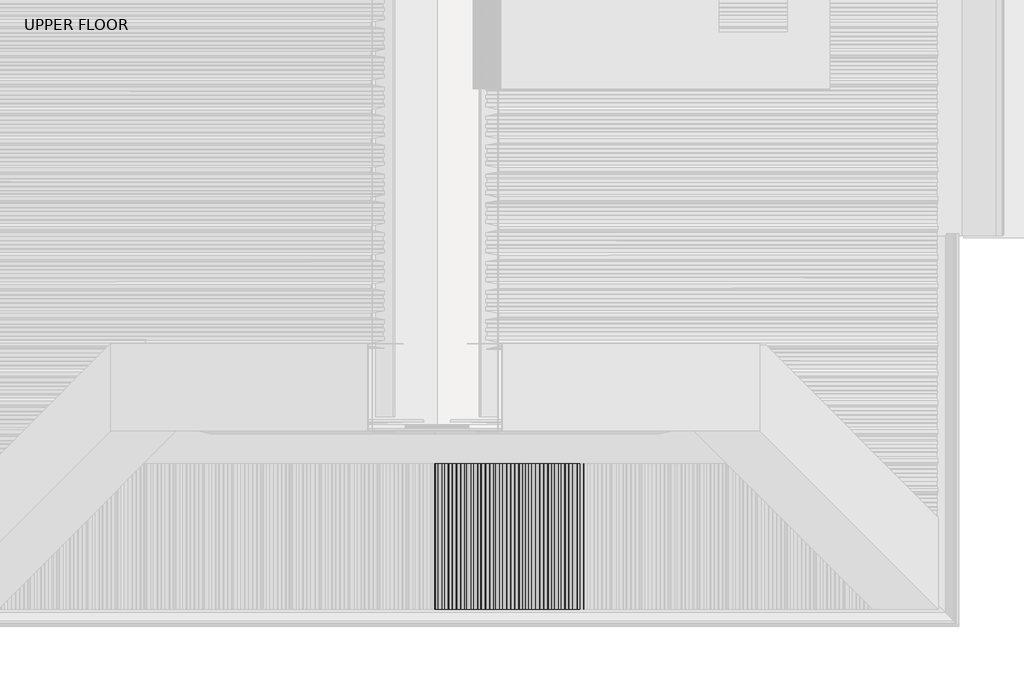
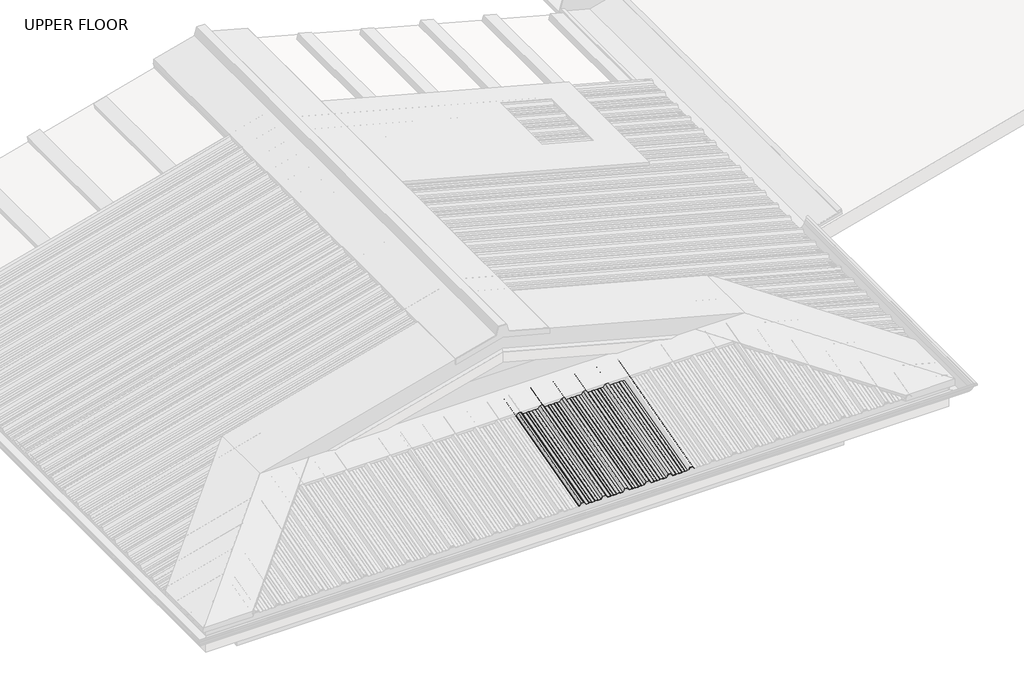
# One storey, part 7 of 18: 1 beam.
"""IFC4 building model written with IfcOpenShell, lengths in millimetres."""

import ifcopenshell
import ifcopenshell.guid

model = None  # the IFC model being written
_history = None  # IfcOwnerHistory: only IFC2X3 demands one
_inside = {}  # id of a spatial element -> (the spatial element, [elements in it])
_under = {}  # id of a project, library or spatial element -> (it, [spatial elements below it])
_declared = {}  # id of a project -> (the project, [libraries it declares])
_typed = {}  # id of a type object -> (the type object, [elements of that type])
_made_of = {}  # id of a material, layer set ... -> (it, [elements and type objects made of it])


def new_model(schema):
    """Start an empty IFC model of exactly this schema.

    Asked for "IFC4X3", IfcOpenShell would pick the latest addendum, in which some entities
    have other attributes; the version numbers below select the first issue.
    IFC2X3 requires an IfcOwnerHistory on every rooted entity: one is made here for all.
    """
    global model, _history
    if schema == "IFC4X3":
        model = ifcopenshell.file(schema_version=(4, 3, 0, 0))
    else:
        model = ifcopenshell.file(schema=schema)
    _inside.clear()
    _under.clear()
    _declared.clear()
    _typed.clear()
    _made_of.clear()
    _history = None
    if model.schema == "IFC2X3":
        org = make("IfcOrganization", Name="unknown")
        user = make(
            "IfcPersonAndOrganization",
            ThePerson=make("IfcPerson", FamilyName="unknown"),
            TheOrganization=org,
        )
        app = make(
            "IfcApplication",
            ApplicationDeveloper=org,
            Version="unknown",
            ApplicationFullName="unknown",
            ApplicationIdentifier="unknown",
        )
        _history = make(
            "IfcOwnerHistory",
            OwningUser=user,
            OwningApplication=app,
            ChangeAction="ADDED",
            CreationDate=0,
        )
    return model


def make(cls, **values):
    """One entity of the class cls with the attributes given. An attribute that is None is left unset."""
    return model.create_entity(
        cls, **{name: value for name, value in values.items() if value is not None}
    )


def rooted(cls, **values):
    """An entity with a GlobalId (a new one), such as an element, a storey or a relation."""
    return make(cls, GlobalId=ifcopenshell.guid.new(), OwnerHistory=_history, **values)


def si_unit(unit_type, name, prefix=None):
    """IfcSIUnit, for example si_unit("LENGTHUNIT", "METRE", prefix="MILLI")."""
    return make("IfcSIUnit", UnitType=unit_type, Prefix=prefix, Name=name)


def assignment(units):
    """IfcUnitAssignment: the units of a project."""
    return None if units is None else make("IfcUnitAssignment", Units=units)


def point(xyz):
    """IfcCartesianPoint."""
    return None if xyz is None else make("IfcCartesianPoint", Coordinates=xyz)


def direction(xyz):
    """IfcDirection."""
    return None if xyz is None else make("IfcDirection", DirectionRatios=xyz)


def frame(location, z_axis=None, x_axis=None):
    """IfcAxis2Placement3D, a coordinate frame: its origin and axes. An axis left out is left unset."""
    return make(
        "IfcAxis2Placement3D",
        Location=point(location),
        Axis=direction(z_axis),
        RefDirection=direction(x_axis),
    )


def origin():
    """The frame at (0, 0, 0) with its axes left unset."""
    return frame((0.0, 0.0, 0.0))


def place(relative_to, where):
    """IfcLocalPlacement: puts the frame where relative to a parent placement (None: the world)."""
    return make(
        "IfcLocalPlacement", PlacementRelTo=relative_to, RelativePlacement=where
    )


def context(
    kind, dimensions, precision=None, world=None, true_north=None, identifier=None
):
    """IfcGeometricRepresentationContext, for example the 3D "Model" context."""
    return make(
        "IfcGeometricRepresentationContext",
        ContextIdentifier=identifier,
        ContextType=kind,
        CoordinateSpaceDimension=dimensions,
        Precision=precision,
        WorldCoordinateSystem=world,
        TrueNorth=true_north,
    )


def project(units=None, contexts=None):
    """IfcProject with its units and contexts."""
    return rooted(
        "IfcProject",
        Name="project",
        RepresentationContexts=contexts,
        UnitsInContext=assignment(units),
    )


def spatial(cls, under=None, at=None, **own):
    """A site, building, storey or space (cls), placed at a placement, below another one or the project."""
    s = rooted(cls, ObjectPlacement=at, **own)
    if under is not None:
        _under.setdefault(under.id(), (under, []))[1].append(s)
    return s


def circle_curve(where, radius):
    """IfcCircle in the frame where."""
    return make("IfcCircle", Position=where, Radius=radius)


def ellipse_curve(where, semi_axis1, semi_axis2):
    """IfcEllipse in the frame where."""
    return make(
        "IfcEllipse", Position=where, SemiAxis1=semi_axis1, SemiAxis2=semi_axis2
    )


def shape(context_of_items, identifier, shape_type, items):
    """IfcShapeRepresentation: the items that make up one representation, for example the "Body"."""
    return make(
        "IfcShapeRepresentation",
        ContextOfItems=context_of_items,
        RepresentationIdentifier=identifier,
        RepresentationType=shape_type,
        Items=items,
    )


def made_of(thing, what):
    """Note that an element or type object is made of a material, layer set ...; save() writes the relation."""
    if what is not None:
        _made_of.setdefault(what.id(), (what, []))[1].append(thing)
    return thing


def element(
    cls,
    number,
    at=None,
    inside=None,
    cuts=None,
    type_object=None,
    material=None,
    context=None,
    identifier="Body",
    shape_type=None,
    held_by="IfcProductDefinitionShape",
    body=None,
    shapes=None,
    **own,
):
    """One element of the class cls, such as IfcWall. Its Tag is "e" and its number.

    at: its placement. inside: the storey or other place that contains it. cuts: it is an
    opening in that element (IfcRelVoidsElement). A single representation is given by context,
    identifier, shape_type and body (its items); several are given by shapes. held_by: the class
    of the entity that holds the representations. save() writes the other relations.
    """
    e = rooted(cls, Tag="e%d" % number, ObjectPlacement=at, **own)
    if body is not None:
        shapes = [shape(context, identifier, shape_type, body)]
    if shapes is not None:
        e.Representation = make(held_by, Representations=shapes)
    if inside is not None:
        _inside.setdefault(inside.id(), (inside, []))[1].append(e)
    if cuts is not None:
        rooted(
            "IfcRelVoidsElement", RelatingBuildingElement=cuts, RelatedOpeningElement=e
        )
    if type_object is not None:
        _typed.setdefault(type_object.id(), (type_object, []))[1].append(e)
    return made_of(e, material)


def aggregate(whole, parts):
    """IfcRelAggregates: a whole, such as a stair, and the parts it consists of."""
    return rooted("IfcRelAggregates", RelatingObject=whole, RelatedObjects=parts)


def save(model, path):
    """Write the relations noted so far, then the file.

    IfcRelAggregates (storeys below a building ...), IfcRelContainedInSpatialStructure (elements
    in a storey), IfcRelDefinesByType, IfcRelAssociatesMaterial and IfcRelDeclares: one each for
    every whole, place, type object, material and project.
    """
    for whole, parts in _under.values():
        aggregate(whole, parts)
    for where, things in _inside.values():
        rooted(
            "IfcRelContainedInSpatialStructure",
            RelatedElements=things,
            RelatingStructure=where,
        )
    for kind, things in _typed.values():
        rooted("IfcRelDefinesByType", RelatedObjects=things, RelatingType=kind)
    for what, things in _made_of.values():
        rooted("IfcRelAssociatesMaterial", RelatedObjects=things, RelatingMaterial=what)
    for by, libraries in _declared.values():
        rooted("IfcRelDeclares", RelatingContext=by, RelatedDefinitions=libraries)
    model.write(path)


def plane_surface(at):
    """IfcPlane: the flat surface through the origin of the frame at, square to its z axis."""
    return make("IfcPlane", Position=at)


def cylinder_surface(at, radius):
    """IfcCylindricalSurface: all points at the distance radius from the z axis of the frame at."""
    return make("IfcCylindricalSurface", Position=at, Radius=radius)


def advanced_brep(points, edges, surfaces, faces):
    """IfcAdvancedBrep: a solid bounded by faces that lie on surfaces and meet in shared edges.

    An edge is (start, end): straight between two places in points (the first is 0);
    or (start, end, curve); or (start, end, curve, False) where it runs against its curve.
    A face is (place in surfaces, loops), or (place, loops, False) where it looks against
    its surface's normal. A loop lists edges by number (the first is 1), with a minus sign
    where the edge is run from its end to its start. The first loop is the outer one.
    """
    corners = [point(p) for p in points]
    vertices = [make("IfcVertexPoint", VertexGeometry=c) for c in corners]
    made = []
    for start, end, *more in edges:
        made.append(
            make(
                "IfcEdgeCurve",
                EdgeStart=vertices[start],
                EdgeEnd=vertices[end],
                EdgeGeometry=more[0] if more else make("IfcPolyline", Points=[corners[start], corners[end]]),
                SameSense=more[1] if len(more) > 1 else True,
            )
        )
    hull = []
    for where, loops, *sense in faces:
        bounds = []
        for j, loop in enumerate(loops):
            ring = [make("IfcOrientedEdge", EdgeElement=made[abs(k) - 1], Orientation=k > 0) for k in loop]
            bounds.append(
                make(
                    "IfcFaceOuterBound" if j == 0 else "IfcFaceBound",
                    Bound=make("IfcEdgeLoop", EdgeList=ring),
                    Orientation=True,
                )
            )
        hull.append(make("IfcAdvancedFace", Bounds=bounds, FaceSurface=surfaces[where], SameSense=sense[0] if sense else True))
    return make("IfcAdvancedBrep", Outer=make("IfcClosedShell", CfsFaces=hull))


model = new_model("IFC4")

# Units and contexts
model_context = context("Model", 3, world=origin())
ifc_project = project(units=[si_unit("LENGTHUNIT", "METRE", prefix="MILLI")], contexts=[model_context])

# Site, building, storey
site = spatial("IfcSite", under=ifc_project)
building = spatial("IfcBuilding", under=site)
storey = spatial("IfcBuildingStorey", under=building, Name="UPPER FLOOR", Elevation=2700.0)

# Beam
placement = place(None, origin())
element("IfcBeam", 1, at=placement, inside=storey, context=model_context, shape_type="AdvancedBrep", body=[
    advanced_brep(
    [(2614.3188541, -3764.7308776, 3532.1969247), (2600.8194638, -3760.0721348, 3514.8102598), (2582.6633813, -3760.0721348, 3514.8102598), (2578.5367793, -3760.5897729, 3516.7421115), (2560.9299442, -3760.5897729, 3516.7421115), (2557.6657802, -3760.0721348, 3514.8102598), (2538.8928065, -3760.0721348, 3514.8102598), (2535.851348, -3760.5897729, 3516.7421115), (2520.1855441, -3760.5897729, 3516.7421115), (2517.1419022, -3760.0721348, 3514.8102598), (2496.8194638, -3760.0721348, 3514.8102598), (2483.3200734, -3764.7308776, 3532.1969247), (2464.3188541, -3764.7308776, 3532.1969247), (2450.8194638, -3760.0721348, 3514.8102598), (2432.6633813, -3760.0721348, 3514.8102598), (2428.5367793, -3760.5897729, 3516.7421115), (2410.9299442, -3760.5897729, 3516.7421115), (2407.6657802, -3760.0721348, 3514.8102598), (2388.8928065, -3760.0721348, 3514.8102598), (2385.851348, -3760.5897729, 3516.7421115), (2370.1855441, -3760.5897729, 3516.7421115), (2367.1419022, -3760.0721348, 3514.8102598), (2346.8194638, -3760.0721348, 3514.8102598), (2333.3200734, -3764.7308776, 3532.1969247), (2314.3188541, -3764.7308776, 3532.1969247), (2300.8194638, -3760.0721348, 3514.8102598), (2282.6633813, -3760.0721348, 3514.8102598), (2278.5367793, -3760.5897729, 3516.7421115), (2260.9299442, -3760.5897729, 3516.7421115), (2257.6657802, -3760.0721348, 3514.8102598), (2238.8928065, -3760.0721348, 3514.8102598), (2235.851348, -3760.5897729, 3516.7421115), (2220.1855441, -3760.5897729, 3516.7421115), (2217.1419022, -3760.0721348, 3514.8102598), (2196.8194638, -3760.0721348, 3514.8102598), (2183.3200734, -3764.7308776, 3532.1969247), (2164.3188541, -3764.7308776, 3532.1969247), (2150.8194638, -3760.0721348, 3514.8102598), (2132.6633813, -3760.0721348, 3514.8102598), (2128.5367793, -3760.5897729, 3516.7421115), (2110.9299442, -3760.5897729, 3516.7421115), (2107.6657802, -3760.0721348, 3514.8102598), (2088.8928065, -3760.0721348, 3514.8102598), (2085.851348, -3760.5897729, 3516.7421115), (2070.1855441, -3760.5897729, 3516.7421115), (2067.1419022, -3760.0721348, 3514.8102598), (2046.8194638, -3760.0721348, 3514.8102598), (2033.3200734, -3764.7308776, 3532.1969247), (2014.3188541, -3764.7308776, 3532.1969247), (2002.319396, -3760.5897729, 3516.7421115), (1998.6460788, -3760.5897729, 3516.7421115), (1998.6460788, -3760.8485919, 3517.7080373), (2001.8200056, -3760.8485919, 3517.7080373), (2013.8194638, -3764.9896966, 3533.1628505), (2033.8194638, -3764.9896966, 3533.1628505), (2047.3188541, -3760.3309538, 3515.7761857), (2066.8427512, -3760.3309538, 3515.7761857), (2069.8863931, -3760.8485919, 3517.7080373), (2086.1506785, -3760.8485919, 3517.7080373), (2089.192137, -3760.3309538, 3515.7761857), (2107.3837849, -3760.3309538, 3515.7761857), (2110.6479489, -3760.8485919, 3517.7080373), (2128.7663392, -3760.8485919, 3517.7080373), (2132.8929412, -3760.3309538, 3515.7761857), (2150.3200734, -3760.3309538, 3515.7761857), (2163.8194638, -3764.9896966, 3533.1628505), (2183.8194638, -3764.9896966, 3533.1628505), (2197.3188541, -3760.3309538, 3515.7761857), (2216.8427512, -3760.3309538, 3515.7761857), (2219.8863931, -3760.8485919, 3517.7080373), (2236.1506785, -3760.8485919, 3517.7080373), (2239.192137, -3760.3309538, 3515.7761857), (2257.3837849, -3760.3309538, 3515.7761857), (2260.6479489, -3760.8485919, 3517.7080373), (2278.7663392, -3760.8485919, 3517.7080373), (2282.8929412, -3760.3309538, 3515.7761857), (2300.3200734, -3760.3309538, 3515.7761857), (2313.8194638, -3764.9896966, 3533.1628505), (2333.8194638, -3764.9896966, 3533.1628505), (2347.3188541, -3760.3309538, 3515.7761857), (2366.8427512, -3760.3309538, 3515.7761857), (2369.8863931, -3760.8485919, 3517.7080373), (2386.1506785, -3760.8485919, 3517.7080373), (2389.192137, -3760.3309538, 3515.7761857), (2407.3837849, -3760.3309538, 3515.7761857), (2410.6479489, -3760.8485919, 3517.7080373), (2428.7663392, -3760.8485919, 3517.7080373), (2432.8929412, -3760.3309538, 3515.7761857), (2450.3200734, -3760.3309538, 3515.7761857), (2463.8194638, -3764.9896966, 3533.1628505), (2483.8194638, -3764.9896966, 3533.1628505), (2497.3188541, -3760.3309538, 3515.7761857), (2516.8427512, -3760.3309538, 3515.7761857), (2519.8863931, -3760.8485919, 3517.7080373), (2536.1506785, -3760.8485919, 3517.7080373), (2539.192137, -3760.3309538, 3515.7761857), (2557.3837849, -3760.3309538, 3515.7761857), (2560.6479489, -3760.8485919, 3517.7080373), (2578.7663392, -3760.8485919, 3517.7080373), (2582.8929412, -3760.3309538, 3515.7761857), (2600.3200734, -3760.3309538, 3515.7761857), (2613.8194638, -3764.9896966, 3533.1628505), (2633.8194638, -3764.9896966, 3533.1628505), (2647.3188541, -3760.3309538, 3515.7761857), (2666.8427512, -3760.3309538, 3515.7761857), (2669.8863931, -3760.8485919, 3517.7080373), (2686.1506785, -3760.8485919, 3517.7080373), (2689.192137, -3760.3309538, 3515.7761857), (2707.3837849, -3760.3309538, 3515.7761857), (2710.6479489, -3760.8485919, 3517.7080373), (2728.7663392, -3760.8485919, 3517.7080373), (2732.8929412, -3760.3309538, 3515.7761857), (2752.8200327, -3760.3309538, 3515.7761857), (2764.8194908, -3764.4720586, 3531.2309989), (2782.8194367, -3764.4720586, 3531.2309989), (2794.476707, -3760.4490454, 3516.2169095), (2793.6770929, -3760.2938359, 3515.6376597), (2782.3200463, -3764.2132395, 3530.265073), (2765.3188812, -3764.2132395, 3530.265073), (2753.3194231, -3760.0721348, 3514.8102598), (2732.6633813, -3760.0721348, 3514.8102598), (2728.5367793, -3760.5897729, 3516.7421115), (2710.9299442, -3760.5897729, 3516.7421115), (2707.6657802, -3760.0721348, 3514.8102598), (2688.8928065, -3760.0721348, 3514.8102598), (2685.851348, -3760.5897729, 3516.7421115), (2670.1855441, -3760.5897729, 3516.7421115), (2667.1419022, -3760.0721348, 3514.8102598), (2646.8194638, -3760.0721348, 3514.8102598), (2633.3200734, -3764.7308776, 3532.1969247), (2600.8194638, -4660.4975954, 3273.5419848), (2582.6633813, -4660.4975954, 3273.5419848), (2578.5367793, -4660.4975954, 3275.6125372), (2560.9299442, -4660.4975954, 3275.6125372), (2557.6657802, -4660.4975954, 3273.5419848), (2538.8928065, -4660.4975954, 3273.5419848), (2535.851348, -4660.4975954, 3275.6125372), (2520.1855441, -4660.4975954, 3275.6125372), (2517.1419022, -4660.4975954, 3273.5419848), (2496.8194638, -4660.4975954, 3273.5419848), (2483.3200734, -4660.4975954, 3292.176956), (2464.3188541, -4660.4975954, 3292.176956), (2450.8194638, -4660.4975954, 3273.5419848), (2432.6633813, -4660.4975954, 3273.5419848), (2428.5367793, -4660.4975954, 3275.6125372), (2410.9299442, -4660.4975954, 3275.6125372), (2407.6657802, -4660.4975954, 3273.5419848), (2388.8928065, -4660.4975954, 3273.5419848), (2385.851348, -4660.4975954, 3275.6125372), (2370.1855441, -4660.4975954, 3275.6125372), (2367.1419022, -4660.4975954, 3273.5419848), (2346.8194638, -4660.4975954, 3273.5419848), (2333.3200734, -4660.4975954, 3292.176956), (2314.3188541, -4660.4975954, 3292.176956), (2300.8194638, -4660.4975954, 3273.5419848), (2282.6633813, -4660.4975954, 3273.5419848), (2278.5367793, -4660.4975954, 3275.6125372), (2260.9299442, -4660.4975954, 3275.6125372), (2257.6657802, -4660.4975954, 3273.5419848), (2238.8928065, -4660.4975954, 3273.5419848), (2235.851348, -4660.4975954, 3275.6125372), (2220.1855441, -4660.4975954, 3275.6125372), (2217.1419022, -4660.4975954, 3273.5419848), (2196.8194638, -4660.4975954, 3273.5419848), (2183.3200734, -4660.4975954, 3292.176956), (2164.3188541, -4660.4975954, 3292.176956), (2150.8194638, -4660.4975954, 3273.5419848), (2132.6633813, -4660.4975954, 3273.5419848), (2128.5367793, -4660.4975954, 3275.6125372), (2110.9299442, -4660.4975954, 3275.6125372), (2107.6657802, -4660.4975954, 3273.5419848), (2088.8928065, -4660.4975954, 3273.5419848), (2085.851348, -4660.4975954, 3275.6125372), (2070.1855441, -4660.4975954, 3275.6125372), (2067.1419022, -4660.4975954, 3273.5419848), (2046.8194638, -4660.4975954, 3273.5419848), (2033.3200734, -4660.4975954, 3292.176956), (2014.3188541, -4660.4975954, 3292.176956), (2002.319396, -4660.4975954, 3275.6125372), (1998.6460788, -4660.4975954, 3275.6125372), (1998.6460788, -4660.4975954, 3276.6478133), (2001.8200056, -4660.4975954, 3276.6478133), (2013.8194638, -4660.4975954, 3293.2122322), (2033.8194638, -4660.4975954, 3293.2122322), (2047.3188541, -4660.4975954, 3274.577261), (2066.8427512, -4660.4975954, 3274.577261), (2069.8863931, -4660.4975954, 3276.6478133), (2086.1506785, -4660.4975954, 3276.6478133), (2089.192137, -4660.4975954, 3274.577261), (2107.3837849, -4660.4975954, 3274.577261), (2110.6479489, -4660.4975954, 3276.6478133), (2128.7663392, -4660.4975954, 3276.6478133), (2132.8929412, -4660.4975954, 3274.577261), (2150.3200734, -4660.4975954, 3274.577261), (2163.8194638, -4660.4975954, 3293.2122322), (2183.8194638, -4660.4975954, 3293.2122322), (2197.3188541, -4660.4975954, 3274.577261), (2216.8427512, -4660.4975954, 3274.577261), (2219.8863931, -4660.4975954, 3276.6478133), (2236.1506785, -4660.4975954, 3276.6478133), (2239.192137, -4660.4975954, 3274.577261), (2257.3837849, -4660.4975954, 3274.577261), (2260.6479489, -4660.4975954, 3276.6478133), (2278.7663392, -4660.4975954, 3276.6478133), (2282.8929412, -4660.4975954, 3274.577261), (2300.3200734, -4660.4975954, 3274.577261), (2313.8194638, -4660.4975954, 3293.2122322), (2333.8194638, -4660.4975954, 3293.2122322), (2347.3188541, -4660.4975954, 3274.577261), (2366.8427512, -4660.4975954, 3274.577261), (2369.8863931, -4660.4975954, 3276.6478133), (2386.1506785, -4660.4975954, 3276.6478133), (2389.192137, -4660.4975954, 3274.577261), (2407.3837849, -4660.4975954, 3274.577261), (2410.6479489, -4660.4975954, 3276.6478133), (2428.7663392, -4660.4975954, 3276.6478133), (2432.8929412, -4660.4975954, 3274.577261), (2450.3200734, -4660.4975954, 3274.577261), (2463.8194638, -4660.4975954, 3293.2122322), (2483.8194638, -4660.4975954, 3293.2122322), (2497.3188541, -4660.4975954, 3274.577261), (2516.8427512, -4660.4975954, 3274.577261), (2519.8863931, -4660.4975954, 3276.6478133), (2536.1506785, -4660.4975954, 3276.6478133), (2539.192137, -4660.4975954, 3274.577261), (2557.3837849, -4660.4975954, 3274.577261), (2560.6479489, -4660.4975954, 3276.6478133), (2578.7663392, -4660.4975954, 3276.6478133), (2582.8929412, -4660.4975954, 3274.577261), (2600.3200734, -4660.4975954, 3274.577261), (2613.8194638, -4660.4975954, 3293.2122322), (2633.8194638, -4660.4975954, 3293.2122322), (2647.3188541, -4660.4975954, 3274.577261), (2666.8427512, -4660.4975954, 3274.577261), (2669.8863931, -4660.4975954, 3276.6478133), (2686.1506785, -4660.4975954, 3276.6478133), (2689.192137, -4660.4975954, 3274.577261), (2707.3837849, -4660.4975954, 3274.577261), (2710.6479489, -4660.4975954, 3276.6478133), (2728.7663392, -4660.4975954, 3276.6478133), (2732.8929412, -4660.4975954, 3274.577261), (2752.8200327, -4660.4975954, 3274.577261), (2764.8194908, -4660.4975954, 3291.1416799), (2782.8194367, -4660.4975954, 3291.1416799), (2614.3188541, -4660.4975954, 3292.176956), (2794.476707, -4660.4975954, 3275.0496274), (2793.6770929, -4660.4975954, 3274.4287893), (2782.3200463, -4660.4975954, 3290.1064037), (2765.3188812, -4660.4975954, 3290.1064037), (2753.3194231, -4660.4975954, 3273.5419848), (2732.6633813, -4660.4975954, 3273.5419848), (2728.5367793, -4660.4975954, 3275.6125372), (2710.9299442, -4660.4975954, 3275.6125372), (2707.6657802, -4660.4975954, 3273.5419848), (2688.8928065, -4660.4975954, 3273.5419848), (2685.851348, -4660.4975954, 3275.6125372), (2670.1855441, -4660.4975954, 3275.6125372), (2667.1419022, -4660.4975954, 3273.5419848), (2646.8194638, -4660.4975954, 3273.5419848), (2633.3200734, -4660.4975954, 3292.176956)],
    [
        (0, 1),
        (1, 2),
        (2, 3),
        (3, 4),
        (4, 5),
        (5, 6),
        (6, 7),
        (7, 8),
        (8, 9),
        (9, 10),
        (10, 11),
        (11, 12),
        (12, 13),
        (13, 14),
        (14, 15),
        (15, 16),
        (16, 17),
        (17, 18),
        (18, 19),
        (19, 20),
        (20, 21),
        (21, 22),
        (22, 23),
        (23, 24),
        (24, 25),
        (25, 26),
        (26, 27),
        (27, 28),
        (28, 29),
        (29, 30),
        (30, 31),
        (31, 32),
        (32, 33),
        (33, 34),
        (34, 35),
        (35, 36),
        (36, 37),
        (37, 38),
        (38, 39),
        (39, 40),
        (40, 41),
        (41, 42),
        (42, 43),
        (43, 44),
        (44, 45),
        (45, 46),
        (46, 47),
        (47, 48),
        (48, 49),
        (49, 50),
        (50, 51, circle_curve(frame((1998.6460788, -3760.7191824, 3517.2250744), z_axis=(0.0, 0.9659258262890683, 0.2588190451025206), x_axis=(-1.0, 0.0, 0.0)), 0.5)),
        (51, 52),
        (52, 53),
        (53, 54),
        (54, 55),
        (55, 56),
        (56, 57),
        (57, 58),
        (58, 59),
        (59, 60),
        (60, 61),
        (61, 62),
        (62, 63),
        (63, 64),
        (64, 65),
        (65, 66),
        (66, 67),
        (67, 68),
        (68, 69),
        (69, 70),
        (70, 71),
        (71, 72),
        (72, 73),
        (73, 74),
        (74, 75),
        (75, 76),
        (76, 77),
        (77, 78),
        (78, 79),
        (79, 80),
        (80, 81),
        (81, 82),
        (82, 83),
        (83, 84),
        (84, 85),
        (85, 86),
        (86, 87),
        (87, 88),
        (88, 89),
        (89, 90),
        (90, 91),
        (91, 92),
        (92, 93),
        (93, 94),
        (94, 95),
        (95, 96),
        (96, 97),
        (97, 98),
        (98, 99),
        (99, 100),
        (100, 101),
        (101, 102),
        (102, 103),
        (103, 104),
        (104, 105),
        (105, 106),
        (106, 107),
        (107, 108),
        (108, 109),
        (109, 110),
        (110, 111),
        (111, 112),
        (112, 113),
        (113, 114),
        (114, 115),
        (115, 116, circle_curve(frame((2794.0769, -3760.3714407, 3515.9272846), z_axis=(0.0, 0.9659258262890683, 0.2588190451025206), x_axis=(-1.0, 0.0, 0.0)), 0.4997507)),
        (116, 117),
        (117, 118),
        (118, 119),
        (119, 120),
        (120, 121),
        (121, 122),
        (122, 123),
        (123, 124),
        (124, 125),
        (125, 126),
        (126, 127),
        (127, 128),
        (128, 129),
        (129, 0),
        (1, 130),
        (130, 131),
        (131, 2),
        (131, 132),
        (132, 3),
        (132, 133),
        (133, 4),
        (133, 134),
        (134, 5),
        (134, 135),
        (135, 6),
        (135, 136),
        (136, 7),
        (136, 137),
        (137, 8),
        (137, 138),
        (138, 9),
        (138, 139),
        (139, 10),
        (139, 140),
        (140, 11),
        (140, 141),
        (141, 12),
        (141, 142),
        (142, 13),
        (142, 143),
        (143, 14),
        (143, 144),
        (144, 15),
        (144, 145),
        (145, 16),
        (145, 146),
        (146, 17),
        (146, 147),
        (147, 18),
        (147, 148),
        (148, 19),
        (148, 149),
        (149, 20),
        (149, 150),
        (150, 21),
        (150, 151),
        (151, 22),
        (151, 152),
        (152, 23),
        (152, 153),
        (153, 24),
        (153, 154),
        (154, 25),
        (154, 155),
        (155, 26),
        (155, 156),
        (156, 27),
        (156, 157),
        (157, 28),
        (157, 158),
        (158, 29),
        (158, 159),
        (159, 30),
        (159, 160),
        (160, 31),
        (160, 161),
        (161, 32),
        (161, 162),
        (162, 33),
        (162, 163),
        (163, 34),
        (163, 164),
        (164, 35),
        (164, 165),
        (165, 36),
        (165, 166),
        (166, 37),
        (166, 167),
        (167, 38),
        (167, 168),
        (168, 39),
        (168, 169),
        (169, 40),
        (169, 170),
        (170, 41),
        (170, 171),
        (171, 42),
        (171, 172),
        (172, 43),
        (172, 173),
        (173, 44),
        (173, 174),
        (174, 45),
        (174, 175),
        (175, 46),
        (175, 176),
        (176, 47),
        (176, 177),
        (177, 48),
        (177, 178),
        (178, 49),
        (178, 179),
        (179, 50),
        (179, 180, ellipse_curve(frame((1998.6460788, -4660.4975954, 3276.1301752), z_axis=(0.0, 1.0, 0.0), x_axis=(0.0, 0.0, 1.0)), 0.5176381, 0.5)),
        (180, 51),
        (180, 181),
        (181, 52),
        (181, 182),
        (182, 53),
        (182, 183),
        (183, 54),
        (183, 184),
        (184, 55),
        (184, 185),
        (185, 56),
        (185, 186),
        (186, 57),
        (186, 187),
        (187, 58),
        (187, 188),
        (188, 59),
        (188, 189),
        (189, 60),
        (189, 190),
        (190, 61),
        (190, 191),
        (191, 62),
        (191, 192),
        (192, 63),
        (192, 193),
        (193, 64),
        (193, 194),
        (194, 65),
        (194, 195),
        (195, 66),
        (195, 196),
        (196, 67),
        (196, 197),
        (197, 68),
        (197, 198),
        (198, 69),
        (198, 199),
        (199, 70),
        (199, 200),
        (200, 71),
        (200, 201),
        (201, 72),
        (201, 202),
        (202, 73),
        (202, 203),
        (203, 74),
        (203, 204),
        (204, 75),
        (204, 205),
        (205, 76),
        (205, 206),
        (206, 77),
        (206, 207),
        (207, 78),
        (207, 208),
        (208, 79),
        (208, 209),
        (209, 80),
        (209, 210),
        (210, 81),
        (210, 211),
        (211, 82),
        (211, 212),
        (212, 83),
        (212, 213),
        (213, 84),
        (213, 214),
        (214, 85),
        (214, 215),
        (215, 86),
        (215, 216),
        (216, 87),
        (216, 217),
        (217, 88),
        (217, 218),
        (218, 89),
        (218, 219),
        (219, 90),
        (219, 220),
        (220, 91),
        (220, 221),
        (221, 92),
        (221, 222),
        (222, 93),
        (222, 223),
        (223, 94),
        (223, 224),
        (224, 95),
        (224, 225),
        (225, 96),
        (225, 226),
        (226, 97),
        (226, 227),
        (227, 98),
        (227, 228),
        (228, 99),
        (228, 229),
        (229, 100),
        (229, 230),
        (230, 101),
        (230, 231),
        (231, 102),
        (231, 232),
        (232, 103),
        (232, 233),
        (233, 104),
        (233, 234),
        (234, 105),
        (234, 235),
        (235, 106),
        (235, 236),
        (236, 107),
        (236, 237),
        (237, 108),
        (237, 238),
        (238, 109),
        (238, 239),
        (239, 110),
        (239, 240),
        (240, 111),
        (240, 241),
        (241, 112),
        (241, 242),
        (242, 113),
        (242, 243),
        (243, 114),
        (0, 244),
        (244, 130),
        (243, 245),
        (245, 115),
        (245, 246, ellipse_curve(frame((2794.0769, -4660.4975954, 3274.7392084), z_axis=(0.0, 1.0, 0.0), x_axis=(0.0, 0.0, 1.0)), 0.51738, 0.4997507)),
        (246, 116),
        (246, 247),
        (247, 117),
        (247, 248),
        (248, 118),
        (248, 249),
        (249, 119),
        (249, 250),
        (250, 120),
        (250, 251),
        (251, 121),
        (251, 252),
        (252, 122),
        (252, 253),
        (253, 123),
        (253, 254),
        (254, 124),
        (254, 255),
        (255, 125),
        (255, 256),
        (256, 126),
        (256, 257),
        (257, 127),
        (257, 258),
        (258, 128),
        (258, 259),
        (259, 129),
        (259, 244),
    ],
    [
        plane_surface(frame((2614.3188541, -3764.7308776, 3532.1969247), z_axis=(0.0, 0.9659258262890684, 0.25881904510252063), x_axis=(-0.5999826594493576, 0.20705860205458643, -0.7727532230118984))),
        plane_surface(frame((2600.8194638, -3760.0721348, 3514.8102598), z_axis=(0.0, 0.2588190451025206, -0.9659258262890683), x_axis=(0.0, -0.9659258262890683, -0.2588190451025206))),
        plane_surface(frame((2582.6633813, -3760.0721348, 3514.8102598), z_axis=(-0.436136361699787, 0.23290623468573943, -0.8692179012467379), x_axis=(0.0, -0.9659258262890683, -0.2588190451025206))),
        plane_surface(frame((2578.5367793, -3760.5897729, 3516.7421115), z_axis=(0.0, 0.2588190451025206, -0.9659258262890683), x_axis=(0.0, -0.9659258262890683, -0.2588190451025206))),
        plane_surface(frame((2560.9299442, -3760.5897729, 3516.7421115), z_axis=(0.5224449573493027, 0.22068801492462867, -0.8236188843202372), x_axis=(0.0, -0.9659258262890683, -0.2588190451025206))),
        plane_surface(frame((2557.6657802, -3760.0721348, 3514.8102598), z_axis=(0.0, 0.2588190451025206, -0.9659258262890683), x_axis=(0.0, -0.9659258262890683, -0.2588190451025206))),
        plane_surface(frame((2538.8928065, -3760.0721348, 3514.8102598), z_axis=(-0.5494325148836687, 0.21625317242009726, -0.8070678267697524), x_axis=(0.0, -0.9659258262890683, -0.2588190451025206))),
        plane_surface(frame((2535.851348, -3760.5897729, 3516.7421115), z_axis=(0.0, 0.2588190451025206, -0.9659258262890683), x_axis=(0.0, -0.9659258262890683, -0.2588190451025206))),
        plane_surface(frame((2520.1855441, -3760.5897729, 3516.7421115), z_axis=(0.549157266255592, 0.21630000128988627, -0.8072425944910736), x_axis=(0.0, -0.9659258262890683, -0.2588190451025206))),
        plane_surface(frame((2517.1419022, -3760.0721348, 3514.8102598), z_axis=(0.0, 0.2588190451025206, -0.9659258262890683), x_axis=(0.0, -0.9659258262890683, -0.2588190451025206))),
        plane_surface(frame((2496.8194638, -3760.0721348, 3514.8102598), z_axis=(-0.8000130051193383, 0.1552869389967553, -0.5795387460877346), x_axis=(0.0, -0.9659258262890683, -0.2588190451025206))),
        plane_surface(frame((2483.3200734, -3764.7308776, 3532.1969247), z_axis=(0.0, 0.2588190451025206, -0.9659258262890683), x_axis=(0.0, -0.9659258262890683, -0.2588190451025206))),
        plane_surface(frame((2464.3188541, -3764.7308776, 3532.1969247), z_axis=(0.8000130051193399, 0.155286938996752, -0.5795387460877331), x_axis=(0.0, -0.9659258262890683, -0.2588190451025206))),
        plane_surface(frame((2450.8194638, -3760.0721348, 3514.8102598), z_axis=(0.0, 0.2588190451025206, -0.9659258262890683), x_axis=(0.0, -0.9659258262890683, -0.2588190451025206))),
        plane_surface(frame((2432.6633813, -3760.0721348, 3514.8102598), z_axis=(-0.4361363616997826, 0.23290623468573998, -0.86921790124674), x_axis=(0.0, -0.9659258262890683, -0.2588190451025206))),
        plane_surface(frame((2428.5367793, -3760.5897729, 3516.7421115), z_axis=(0.0, 0.2588190451025206, -0.9659258262890683), x_axis=(0.0, -0.9659258262890683, -0.2588190451025206))),
        plane_surface(frame((2410.9299442, -3760.5897729, 3516.7421115), z_axis=(0.5224449573492957, 0.22068801492462986, -0.8236188843202413), x_axis=(0.0, -0.9659258262890683, -0.2588190451025206))),
        plane_surface(frame((2407.6657802, -3760.0721348, 3514.8102598), z_axis=(0.0, 0.2588190451025206, -0.9659258262890683), x_axis=(0.0, -0.9659258262890683, -0.2588190451025206))),
        plane_surface(frame((2388.8928065, -3760.0721348, 3514.8102598), z_axis=(-0.5494325148836601, 0.21625317242009867, -0.8070678267697579), x_axis=(0.0, -0.9659258262890683, -0.2588190451025206))),
        plane_surface(frame((2385.851348, -3760.5897729, 3516.7421115), z_axis=(0.0, 0.2588190451025206, -0.9659258262890683), x_axis=(0.0, -0.9659258262890683, -0.2588190451025206))),
        plane_surface(frame((2370.1855441, -3760.5897729, 3516.7421115), z_axis=(0.549157266255592, 0.21630000128988627, -0.8072425944910736), x_axis=(0.0, -0.9659258262890683, -0.2588190451025206))),
        plane_surface(frame((2367.1419022, -3760.0721348, 3514.8102598), z_axis=(0.0, 0.2588190451025206, -0.9659258262890683), x_axis=(0.0, -0.9659258262890683, -0.2588190451025206))),
        plane_surface(frame((2346.8194638, -3760.0721348, 3514.8102598), z_axis=(-0.800013005119337, 0.1552869389967557, -0.5795387460877361), x_axis=(0.0, -0.9659258262890683, -0.2588190451025206))),
        plane_surface(frame((2333.3200734, -3764.7308776, 3532.1969247), z_axis=(0.0, 0.2588190451025206, -0.9659258262890683), x_axis=(0.0, -0.9659258262890683, -0.2588190451025206))),
        plane_surface(frame((2314.3188541, -3764.7308776, 3532.1969247), z_axis=(0.8000130051193418, 0.15528693899675125, -0.5795387460877306), x_axis=(0.0, -0.9659258262890683, -0.2588190451025206))),
        plane_surface(frame((2300.8194638, -3760.0721348, 3514.8102598), z_axis=(0.0, 0.2588190451025206, -0.9659258262890683), x_axis=(0.0, -0.9659258262890683, -0.2588190451025206))),
        plane_surface(frame((2282.6633813, -3760.0721348, 3514.8102598), z_axis=(-0.4361363616997913, 0.23290623468573884, -0.8692179012467358), x_axis=(0.0, -0.9659258262890683, -0.2588190451025206))),
        plane_surface(frame((2278.5367793, -3760.5897729, 3516.7421115), z_axis=(0.0, 0.2588190451025206, -0.9659258262890683), x_axis=(0.0, -0.9659258262890683, -0.2588190451025206))),
        plane_surface(frame((2260.9299442, -3760.5897729, 3516.7421115), z_axis=(0.5224449573492987, 0.22068801492462933, -0.8236188843202394), x_axis=(0.0, -0.9659258262890683, -0.2588190451025206))),
        plane_surface(frame((2257.6657802, -3760.0721348, 3514.8102598), z_axis=(0.0, 0.2588190451025206, -0.9659258262890683), x_axis=(0.0, -0.9659258262890683, -0.2588190451025206))),
        plane_surface(frame((2238.8928065, -3760.0721348, 3514.8102598), z_axis=(-0.5494325148836687, 0.21625317242009723, -0.8070678267697524), x_axis=(0.0, -0.9659258262890683, -0.2588190451025206))),
        plane_surface(frame((2235.851348, -3760.5897729, 3516.7421115), z_axis=(0.0, 0.2588190451025206, -0.9659258262890683), x_axis=(0.0, -0.9659258262890683, -0.2588190451025206))),
        plane_surface(frame((2220.1855441, -3760.5897729, 3516.7421115), z_axis=(0.549157266255592, 0.2163000012898863, -0.8072425944910736), x_axis=(0.0, -0.9659258262890683, -0.2588190451025206))),
        plane_surface(frame((2217.1419022, -3760.0721348, 3514.8102598), z_axis=(0.0, 0.2588190451025206, -0.9659258262890683), x_axis=(0.0, -0.9659258262890683, -0.2588190451025206))),
        plane_surface(frame((2196.8194638, -3760.0721348, 3514.8102598), z_axis=(-0.8000130051193385, 0.1552869389967552, -0.5795387460877344), x_axis=(0.0, -0.9659258262890683, -0.2588190451025206))),
        plane_surface(frame((2183.3200734, -3764.7308776, 3532.1969247), z_axis=(0.0, 0.2588190451025206, -0.9659258262890683), x_axis=(0.0, -0.9659258262890683, -0.2588190451025206))),
        plane_surface(frame((2164.3188541, -3764.7308776, 3532.1969247), z_axis=(0.8000130051193373, 0.1552869389967529, -0.5795387460877363), x_axis=(0.0, -0.9659258262890683, -0.2588190451025206))),
        plane_surface(frame((2150.8194638, -3760.0721348, 3514.8102598), z_axis=(0.0, 0.2588190451025206, -0.9659258262890683), x_axis=(0.0, -0.9659258262890683, -0.2588190451025206))),
        plane_surface(frame((2132.6633813, -3760.0721348, 3514.8102598), z_axis=(-0.4361363616998025, 0.23290623468573748, -0.8692179012467306), x_axis=(0.0, -0.9659258262890683, -0.2588190451025206))),
        plane_surface(frame((2128.5367793, -3760.5897729, 3516.7421115), z_axis=(0.0, 0.25881904510252063, -0.9659258262890683), x_axis=(0.0, -0.9659258262890683, -0.25881904510252063))),
        plane_surface(frame((2110.9299442, -3760.5897729, 3516.7421115), z_axis=(0.5224449573492934, 0.22068801492463008, -0.8236188843202427), x_axis=(0.0, -0.9659258262890683, -0.2588190451025205))),
        plane_surface(frame((2107.6657802, -3760.0721348, 3514.8102598), z_axis=(0.0, 0.2588190451025206, -0.9659258262890683), x_axis=(0.0, -0.9659258262890683, -0.2588190451025206))),
        plane_surface(frame((2088.8928065, -3760.0721348, 3514.8102598), z_axis=(-0.549432514883665, 0.2162531724200979, -0.8070678267697547), x_axis=(0.0, -0.9659258262890683, -0.2588190451025206))),
        plane_surface(frame((2085.851348, -3760.5897729, 3516.7421115), z_axis=(0.0, 0.2588190451025205, -0.9659258262890683), x_axis=(0.0, -0.9659258262890683, -0.2588190451025205))),
        plane_surface(frame((2070.1855441, -3760.5897729, 3516.7421115), z_axis=(0.5491572662555797, 0.2163000012898882, -0.8072425944910815), x_axis=(0.0, -0.9659258262890683, -0.2588190451025205))),
        plane_surface(frame((2067.1419022, -3760.0721348, 3514.8102598), z_axis=(0.0, 0.2588190451025206, -0.9659258262890683), x_axis=(0.0, -0.9659258262890683, -0.2588190451025206))),
        plane_surface(frame((2046.8194638, -3760.0721348, 3514.8102598), z_axis=(-0.8000130051193401, 0.15528693899675486, -0.579538746087732), x_axis=(0.0, -0.9659258262890683, -0.25881904510252063))),
        plane_surface(frame((2033.3200734, -3764.7308776, 3532.1969247), z_axis=(0.0, 0.2588190451025206, -0.9659258262890683), x_axis=(0.0, -0.9659258262890683, -0.2588190451025206))),
        plane_surface(frame((2014.3188541, -3764.7308776, 3532.1969247), z_axis=(0.8000130051193404, 0.1552869389967517, -0.5795387460877324), x_axis=(0.0, -0.9659258262890683, -0.2588190451025206))),
        plane_surface(frame((2002.319396, -3760.5897729, 3516.7421115), z_axis=(0.0, 0.2588190451025205, -0.9659258262890683), x_axis=(0.0, -0.9659258262890683, -0.2588190451025205))),
        cylinder_surface(frame((1998.6460788, -4673.5195398, 3272.6409558), z_axis=(0.0, 0.9659258262890683, 0.2588190451025206), x_axis=(-1.0, 0.0, 0.0)), 0.5),
        plane_surface(frame((1998.6460788, -3760.8485919, 3517.7080373), z_axis=(0.0, -0.2588190451025205, 0.9659258262890683), x_axis=(0.0, -0.9659258262890683, -0.2588190451025205))),
        plane_surface(frame((2001.8200056, -3760.8485919, 3517.7080373), z_axis=(-0.8000130051193406, -0.1552869389967516, 0.5795387460877321), x_axis=(0.0, -0.9659258262890683, -0.2588190451025205))),
        plane_surface(frame((2013.8194638, -3764.9896966, 3533.1628505), z_axis=(0.0, -0.2588190451025205, 0.9659258262890683), x_axis=(0.0, -0.9659258262890683, -0.2588190451025205))),
        plane_surface(frame((2033.8194638, -3764.9896966, 3533.1628505), z_axis=(0.8000130051193399, -0.15528693899675497, 0.5795387460877324), x_axis=(0.0, -0.9659258262890683, -0.25881904510252063))),
        plane_surface(frame((2047.3188541, -3760.3309538, 3515.7761857), z_axis=(0.0, -0.25881904510252063, 0.9659258262890683), x_axis=(0.0, -0.9659258262890683, -0.25881904510252063))),
        plane_surface(frame((2066.8427512, -3760.3309538, 3515.7761857), z_axis=(-0.5491572662556091, -0.21630000128988325, 0.8072425944910631), x_axis=(0.0, -0.9659258262890683, -0.2588190451025205))),
        plane_surface(frame((2069.8863931, -3760.8485919, 3517.7080373), z_axis=(0.0, -0.25881904510252063, 0.9659258262890683), x_axis=(0.0, -0.9659258262890683, -0.25881904510252063))),
        plane_surface(frame((2086.1506785, -3760.8485919, 3517.7080373), z_axis=(0.549432514883691, -0.21625317242009348, 0.8070678267697382), x_axis=(0.0, -0.9659258262890683, -0.2588190451025206))),
        plane_surface(frame((2089.192137, -3760.3309538, 3515.7761857), z_axis=(0.0, -0.25881904510252063, 0.9659258262890683), x_axis=(0.0, -0.9659258262890683, -0.25881904510252063))),
        plane_surface(frame((2107.3837849, -3760.3309538, 3515.7761857), z_axis=(-0.5224449573493088, -0.22068801492462764, 0.8236188843202334), x_axis=(0.0, -0.9659258262890683, -0.2588190451025206))),
        plane_surface(frame((2110.6479489, -3760.8485919, 3517.7080373), z_axis=(0.0, -0.2588190451025205, 0.9659258262890683), x_axis=(0.0, -0.9659258262890683, -0.2588190451025205))),
        plane_surface(frame((2128.7663392, -3760.8485919, 3517.7080373), z_axis=(0.4361363616997981, -0.23290623468573818, 0.8692179012467327), x_axis=(0.0, -0.9659258262890683, -0.25881904510252063))),
        plane_surface(frame((2132.8929412, -3760.3309538, 3515.7761857), z_axis=(0.0, -0.2588190451025205, 0.9659258262890683), x_axis=(0.0, -0.9659258262890683, -0.2588190451025205))),
        plane_surface(frame((2150.3200734, -3760.3309538, 3515.7761857), z_axis=(-0.8000130051193364, -0.15528693899675317, 0.5795387460877377), x_axis=(0.0, -0.9659258262890683, -0.25881904510252063))),
        plane_surface(frame((2163.8194638, -3764.9896966, 3533.1628505), z_axis=(0.0, -0.2588190451025206, 0.9659258262890683), x_axis=(0.0, -0.9659258262890683, -0.2588190451025206))),
        plane_surface(frame((2183.8194638, -3764.9896966, 3533.1628505), z_axis=(0.80001300511934, -0.15528693899675466, 0.5795387460877324), x_axis=(0.0, -0.9659258262890683, -0.2588190451025206))),
        plane_surface(frame((2197.3188541, -3760.3309538, 3515.7761857), z_axis=(0.0, -0.2588190451025206, 0.9659258262890683), x_axis=(0.0, -0.9659258262890683, -0.2588190451025206))),
        plane_surface(frame((2216.8427512, -3760.3309538, 3515.7761857), z_axis=(-0.5491572662555888, -0.21630000128988686, 0.8072425944910757), x_axis=(0.0, -0.9659258262890683, -0.2588190451025206))),
        plane_surface(frame((2219.8863931, -3760.8485919, 3517.7080373), z_axis=(0.0, -0.2588190451025206, 0.9659258262890683), x_axis=(0.0, -0.9659258262890683, -0.2588190451025206))),
        plane_surface(frame((2236.1506785, -3760.8485919, 3517.7080373), z_axis=(0.5494325148836654, -0.21625317242009776, 0.8070678267697545), x_axis=(0.0, -0.9659258262890683, -0.2588190451025206))),
        plane_surface(frame((2239.192137, -3760.3309538, 3515.7761857), z_axis=(0.0, -0.2588190451025206, 0.9659258262890683), x_axis=(0.0, -0.9659258262890683, -0.2588190451025206))),
        plane_surface(frame((2257.3837849, -3760.3309538, 3515.7761857), z_axis=(-0.5224449573493034, -0.2206880149246286, 0.8236188843202368), x_axis=(0.0, -0.9659258262890683, -0.2588190451025206))),
        plane_surface(frame((2260.6479489, -3760.8485919, 3517.7080373), z_axis=(0.0, -0.2588190451025206, 0.9659258262890683), x_axis=(0.0, -0.9659258262890683, -0.2588190451025206))),
        plane_surface(frame((2278.7663392, -3760.8485919, 3517.7080373), z_axis=(0.43613636169978554, -0.2329062346857396, 0.8692179012467386), x_axis=(0.0, -0.9659258262890683, -0.2588190451025206))),
        plane_surface(frame((2282.8929412, -3760.3309538, 3515.7761857), z_axis=(0.0, -0.2588190451025206, 0.9659258262890683), x_axis=(0.0, -0.9659258262890683, -0.2588190451025206))),
        plane_surface(frame((2300.3200734, -3760.3309538, 3515.7761857), z_axis=(-0.8000130051193389, -0.15528693899675225, 0.5795387460877344), x_axis=(0.0, -0.9659258262890683, -0.2588190451025206))),
        plane_surface(frame((2313.8194638, -3764.9896966, 3533.1628505), z_axis=(0.0, -0.2588190451025206, 0.9659258262890683), x_axis=(0.0, -0.9659258262890683, -0.2588190451025206))),
        plane_surface(frame((2333.8194638, -3764.9896966, 3533.1628505), z_axis=(0.8000130051193397, -0.15528693899675483, 0.5795387460877327), x_axis=(0.0, -0.9659258262890683, -0.2588190451025206))),
        plane_surface(frame((2347.3188541, -3760.3309538, 3515.7761857), z_axis=(0.0, -0.2588190451025206, 0.9659258262890683), x_axis=(0.0, -0.9659258262890683, -0.2588190451025206))),
        plane_surface(frame((2366.8427512, -3760.3309538, 3515.7761857), z_axis=(-0.5491572662555888, -0.21630000128988683, 0.8072425944910757), x_axis=(0.0, -0.9659258262890683, -0.2588190451025206))),
        plane_surface(frame((2369.8863931, -3760.8485919, 3517.7080373), z_axis=(0.0, -0.2588190451025206, 0.9659258262890683), x_axis=(0.0, -0.9659258262890683, -0.2588190451025206))),
        plane_surface(frame((2386.1506785, -3760.8485919, 3517.7080373), z_axis=(0.5494325148836567, -0.21625317242009923, 0.8070678267697599), x_axis=(0.0, -0.9659258262890683, -0.2588190451025206))),
        plane_surface(frame((2389.192137, -3760.3309538, 3515.7761857), z_axis=(0.0, -0.2588190451025206, 0.9659258262890683), x_axis=(0.0, -0.9659258262890683, -0.2588190451025206))),
        plane_surface(frame((2407.3837849, -3760.3309538, 3515.7761857), z_axis=(-0.522444957349298, -0.22068801492462947, 0.82361888432024), x_axis=(0.0, -0.9659258262890683, -0.2588190451025206))),
        plane_surface(frame((2410.6479489, -3760.8485919, 3517.7080373), z_axis=(0.0, -0.2588190451025206, 0.9659258262890683), x_axis=(0.0, -0.9659258262890683, -0.2588190451025206))),
        plane_surface(frame((2428.7663392, -3760.8485919, 3517.7080373), z_axis=(0.4361363616997878, -0.23290623468573934, 0.8692179012467376), x_axis=(0.0, -0.9659258262890683, -0.2588190451025206))),
        plane_surface(frame((2432.8929412, -3760.3309538, 3515.7761857), z_axis=(0.0, -0.2588190451025206, 0.9659258262890683), x_axis=(0.0, -0.9659258262890683, -0.2588190451025206))),
        plane_surface(frame((2450.3200734, -3760.3309538, 3515.7761857), z_axis=(-0.8000130051193388, -0.15528693899675244, 0.5795387460877347), x_axis=(0.0, -0.9659258262890683, -0.2588190451025206))),
        plane_surface(frame((2463.8194638, -3764.9896966, 3533.1628505), z_axis=(0.0, -0.2588190451025206, 0.9659258262890683), x_axis=(0.0, -0.9659258262890683, -0.2588190451025206))),
        plane_surface(frame((2483.8194638, -3764.9896966, 3533.1628505), z_axis=(0.8000130051193397, -0.1552869389967548, 0.5795387460877326), x_axis=(0.0, -0.9659258262890683, -0.2588190451025206))),
        plane_surface(frame((2497.3188541, -3760.3309538, 3515.7761857), z_axis=(0.0, -0.2588190451025206, 0.9659258262890683), x_axis=(0.0, -0.9659258262890683, -0.2588190451025206))),
        plane_surface(frame((2516.8427512, -3760.3309538, 3515.7761857), z_axis=(-0.549157266255592, -0.21630000128988627, 0.8072425944910736), x_axis=(0.0, -0.9659258262890683, -0.2588190451025206))),
        plane_surface(frame((2519.8863931, -3760.8485919, 3517.7080373), z_axis=(0.0, -0.2588190451025206, 0.9659258262890683), x_axis=(0.0, -0.9659258262890683, -0.2588190451025206))),
        plane_surface(frame((2536.1506785, -3760.8485919, 3517.7080373), z_axis=(0.5494325148836687, -0.21625317242009726, 0.8070678267697524), x_axis=(0.0, -0.9659258262890683, -0.2588190451025206))),
        plane_surface(frame((2539.192137, -3760.3309538, 3515.7761857), z_axis=(0.0, -0.2588190451025206, 0.9659258262890683), x_axis=(0.0, -0.9659258262890683, -0.2588190451025206))),
        plane_surface(frame((2557.3837849, -3760.3309538, 3515.7761857), z_axis=(-0.5224449573493058, -0.2206880149246282, 0.8236188843202353), x_axis=(0.0, -0.9659258262890683, -0.2588190451025206))),
        plane_surface(frame((2560.6479489, -3760.8485919, 3517.7080373), z_axis=(0.0, -0.2588190451025206, 0.9659258262890683), x_axis=(0.0, -0.9659258262890683, -0.2588190451025206))),
        plane_surface(frame((2578.7663392, -3760.8485919, 3517.7080373), z_axis=(0.4361363616997855, -0.23290623468573962, 0.8692179012467386), x_axis=(0.0, -0.9659258262890683, -0.2588190451025206))),
        plane_surface(frame((2582.8929412, -3760.3309538, 3515.7761857), z_axis=(0.0, -0.2588190451025206, 0.9659258262890683), x_axis=(0.0, -0.9659258262890683, -0.2588190451025206))),
        plane_surface(frame((2600.3200734, -3760.3309538, 3515.7761857), z_axis=(-0.800013005119338, -0.15528693899675264, 0.5795387460877357), x_axis=(0.0, -0.9659258262890683, -0.2588190451025206))),
        plane_surface(frame((2613.8194638, -3764.9896966, 3533.1628505), z_axis=(0.0, -0.2588190451025206, 0.9659258262890683), x_axis=(0.0, -0.9659258262890683, -0.2588190451025206))),
        plane_surface(frame((2633.8194638, -3764.9896966, 3533.1628505), z_axis=(0.8000130051193388, -0.1552869389967551, 0.5795387460877338), x_axis=(0.0, -0.9659258262890683, -0.2588190451025206))),
        plane_surface(frame((2647.3188541, -3760.3309538, 3515.7761857), z_axis=(0.0, -0.2588190451025206, 0.9659258262890683), x_axis=(0.0, -0.9659258262890683, -0.2588190451025206))),
        plane_surface(frame((2666.8427512, -3760.3309538, 3515.7761857), z_axis=(-0.5491572662555888, -0.21630000128988683, 0.8072425944910757), x_axis=(0.0, -0.9659258262890683, -0.2588190451025206))),
        plane_surface(frame((2669.8863931, -3760.8485919, 3517.7080373), z_axis=(0.0, -0.2588190451025206, 0.9659258262890683), x_axis=(0.0, -0.9659258262890683, -0.2588190451025206))),
        plane_surface(frame((2686.1506785, -3760.8485919, 3517.7080373), z_axis=(0.5494325148836654, -0.21625317242009778, 0.8070678267697545), x_axis=(0.0, -0.9659258262890683, -0.2588190451025206))),
        plane_surface(frame((2689.192137, -3760.3309538, 3515.7761857), z_axis=(0.0, -0.2588190451025206, 0.9659258262890683), x_axis=(0.0, -0.9659258262890683, -0.2588190451025206))),
        plane_surface(frame((2707.3837849, -3760.3309538, 3515.7761857), z_axis=(-0.5224449573493033, -0.22068801492462856, 0.8236188843202368), x_axis=(0.0, -0.9659258262890683, -0.2588190451025206))),
        plane_surface(frame((2710.6479489, -3760.8485919, 3517.7080373), z_axis=(0.0, -0.2588190451025206, 0.9659258262890683), x_axis=(0.0, -0.9659258262890683, -0.2588190451025206))),
        plane_surface(frame((2728.7663392, -3760.8485919, 3517.7080373), z_axis=(0.43613636169978404, -0.2329062346857398, 0.8692179012467393), x_axis=(0.0, -0.9659258262890683, -0.2588190451025206))),
        plane_surface(frame((2732.8929412, -3760.3309538, 3515.7761857), z_axis=(0.0, -0.2588190451025206, 0.9659258262890683), x_axis=(0.0, -0.9659258262890683, -0.2588190451025206))),
        plane_surface(frame((2752.8200327, -3760.3309538, 3515.7761857), z_axis=(-0.8000130051193384, -0.15528693899675253, 0.5795387460877353), x_axis=(0.0, -0.9659258262890683, -0.2588190451025206))),
        plane_surface(frame((2764.8194908, -3764.4720586, 3531.2309989), z_axis=(0.0, -0.2588190451025206, 0.9659258262890683), x_axis=(0.0, -0.9659258262890683, -0.2588190451025206))),
        plane_surface(frame((2614.3188541, -3764.7308776, 3532.1969247), z_axis=(0.8000130051193396, 0.15528693899675214, -0.5795387460877337), x_axis=(0.0, -0.9659258262890683, -0.2588190451025206))),
        plane_surface(frame((2782.8194367, -3764.4720586, 3531.2309989), z_axis=(0.8000130051193397, -0.15528693899675483, 0.5795387460877327), x_axis=(0.0, -0.9659258262890683, -0.2588190451025206))),
        cylinder_surface(frame((2794.0769, -4673.1717981, 3271.343166), z_axis=(0.0, 0.9659258262890683, 0.2588190451025206), x_axis=(-1.0, 0.0, 0.0)), 0.4997507),
        plane_surface(frame((2793.6770929, -3760.2938359, 3515.6376597), z_axis=(-0.8000130051193131, 0.15528693899676405, -0.5795387460877671), x_axis=(0.0, -0.9659258262890683, -0.2588190451025206))),
        plane_surface(frame((2782.3200463, -3764.2132395, 3530.265073), z_axis=(0.0, 0.2588190451025206, -0.9659258262890683), x_axis=(0.0, -0.9659258262890683, -0.2588190451025206))),
        plane_surface(frame((2765.3188812, -3764.2132395, 3530.265073), z_axis=(0.80001300511934, 0.15528693899675197, -0.579538746087733), x_axis=(0.0, -0.9659258262890683, -0.2588190451025206))),
        plane_surface(frame((2753.3194231, -3760.0721348, 3514.8102598), z_axis=(0.0, 0.2588190451025206, -0.9659258262890683), x_axis=(0.0, -0.9659258262890683, -0.2588190451025206))),
        plane_surface(frame((2732.6633813, -3760.0721348, 3514.8102598), z_axis=(-0.43613636169979286, 0.2329062346857387, -0.8692179012467353), x_axis=(0.0, -0.9659258262890683, -0.2588190451025206))),
        plane_surface(frame((2728.5367793, -3760.5897729, 3516.7421115), z_axis=(0.0, 0.2588190451025206, -0.9659258262890683), x_axis=(0.0, -0.9659258262890683, -0.2588190451025206))),
        plane_surface(frame((2710.9299442, -3760.5897729, 3516.7421115), z_axis=(0.5224449573493065, 0.22068801492462806, -0.8236188843202348), x_axis=(0.0, -0.9659258262890683, -0.2588190451025206))),
        plane_surface(frame((2707.6657802, -3760.0721348, 3514.8102598), z_axis=(0.0, 0.2588190451025206, -0.9659258262890683), x_axis=(0.0, -0.9659258262890683, -0.2588190451025206))),
        plane_surface(frame((2688.8928065, -3760.0721348, 3514.8102598), z_axis=(-0.5494325148836687, 0.21625317242009726, -0.8070678267697524), x_axis=(0.0, -0.9659258262890683, -0.2588190451025206))),
        plane_surface(frame((2685.851348, -3760.5897729, 3516.7421115), z_axis=(0.0, 0.2588190451025206, -0.9659258262890683), x_axis=(0.0, -0.9659258262890683, -0.2588190451025206))),
        plane_surface(frame((2670.1855441, -3760.5897729, 3516.7421115), z_axis=(0.549157266255592, 0.21630000128988627, -0.8072425944910736), x_axis=(0.0, -0.9659258262890683, -0.2588190451025206))),
        plane_surface(frame((2667.1419022, -3760.0721348, 3514.8102598), z_axis=(0.0, 0.2588190451025206, -0.9659258262890683), x_axis=(0.0, -0.9659258262890683, -0.2588190451025206))),
        plane_surface(frame((2646.8194638, -3760.0721348, 3514.8102598), z_axis=(-0.8000130051193385, 0.15528693899675525, -0.5795387460877344), x_axis=(0.0, -0.9659258262890683, -0.2588190451025206))),
        plane_surface(frame((2633.3200734, -3764.7308776, 3532.1969247), z_axis=(0.0, 0.2588190451025206, -0.9659258262890683), x_axis=(0.0, -0.9659258262890683, -0.2588190451025206))),
        plane_surface(frame((-1250.856734, -4660.4975954, 4094.1480288), z_axis=(0.0, -1.0, 0.0), x_axis=(0.0, 0.0, -1.0))),
    ],
    [
        (0, [[1, 2, 3, 4, 5, 6, 7, 8, 9, 10, 11, 12, 13, 14, 15, 16, 17, 18, 19, 20, 21, 22, 23, 24, 25, 26, 27, 28, 29, 30, 31, 32, 33, 34, 35, 36, 37, 38, 39, 40, 41, 42, 43, 44, 45, 46, 47, 48, 49, 50, 51, 52, 53, 54, 55, 56, 57, 58, 59, 60, 61, 62, 63, 64, 65, 66, 67, 68, 69, 70, 71, 72, 73, 74, 75, 76, 77, 78, 79, 80, 81, 82, 83, 84, 85, 86, 87, 88, 89, 90, 91, 92, 93, 94, 95, 96, 97, 98, 99, 100, 101, 102, 103, 104, 105, 106, 107, 108, 109, 110, 111, 112, 113, 114, 115, 116, 117, 118, 119, 120, 121, 122, 123, 124, 125, 126, 127, 128, 129, 130]]),
        (1, [[-2, 131, 132, 133]]),
        (2, [[-3, -133, 134, 135]]),
        (3, [[-4, -135, 136, 137]]),
        (4, [[-5, -137, 138, 139]]),
        (5, [[-6, -139, 140, 141]]),
        (6, [[-7, -141, 142, 143]]),
        (7, [[-8, -143, 144, 145]]),
        (8, [[-9, -145, 146, 147]]),
        (9, [[-10, -147, 148, 149]]),
        (10, [[-11, -149, 150, 151]]),
        (11, [[-12, -151, 152, 153]]),
        (12, [[-13, -153, 154, 155]]),
        (13, [[-14, -155, 156, 157]]),
        (14, [[-15, -157, 158, 159]]),
        (15, [[-16, -159, 160, 161]]),
        (16, [[-17, -161, 162, 163]]),
        (17, [[-18, -163, 164, 165]]),
        (18, [[-19, -165, 166, 167]]),
        (19, [[-20, -167, 168, 169]]),
        (20, [[-21, -169, 170, 171]]),
        (21, [[-22, -171, 172, 173]]),
        (22, [[-23, -173, 174, 175]]),
        (23, [[-24, -175, 176, 177]]),
        (24, [[-25, -177, 178, 179]]),
        (25, [[-26, -179, 180, 181]]),
        (26, [[-27, -181, 182, 183]]),
        (27, [[-28, -183, 184, 185]]),
        (28, [[-29, -185, 186, 187]]),
        (29, [[-30, -187, 188, 189]]),
        (30, [[-31, -189, 190, 191]]),
        (31, [[-32, -191, 192, 193]]),
        (32, [[-33, -193, 194, 195]]),
        (33, [[-34, -195, 196, 197]]),
        (34, [[-35, -197, 198, 199]]),
        (35, [[-36, -199, 200, 201]]),
        (36, [[-37, -201, 202, 203]]),
        (37, [[-38, -203, 204, 205]]),
        (38, [[-39, -205, 206, 207]]),
        (39, [[-40, -207, 208, 209]]),
        (40, [[-41, -209, 210, 211]]),
        (41, [[-42, -211, 212, 213]]),
        (42, [[-43, -213, 214, 215]]),
        (43, [[-44, -215, 216, 217]]),
        (44, [[-45, -217, 218, 219]]),
        (45, [[-46, -219, 220, 221]]),
        (46, [[-47, -221, 222, 223]]),
        (47, [[-48, -223, 224, 225]]),
        (48, [[-49, -225, 226, 227]]),
        (49, [[-50, -227, 228, 229]]),
        (50, [[-51, -229, 230, 231]]),
        (51, [[-52, -231, 232, 233]]),
        (52, [[-53, -233, 234, 235]]),
        (53, [[-54, -235, 236, 237]]),
        (54, [[-55, -237, 238, 239]]),
        (55, [[-56, -239, 240, 241]]),
        (56, [[-57, -241, 242, 243]]),
        (57, [[-58, -243, 244, 245]]),
        (58, [[-59, -245, 246, 247]]),
        (59, [[-60, -247, 248, 249]]),
        (60, [[-61, -249, 250, 251]]),
        (61, [[-62, -251, 252, 253]]),
        (62, [[-63, -253, 254, 255]]),
        (63, [[-64, -255, 256, 257]]),
        (64, [[-65, -257, 258, 259]]),
        (65, [[-66, -259, 260, 261]]),
        (66, [[-67, -261, 262, 263]]),
        (67, [[-68, -263, 264, 265]]),
        (68, [[-69, -265, 266, 267]]),
        (69, [[-70, -267, 268, 269]]),
        (70, [[-71, -269, 270, 271]]),
        (71, [[-72, -271, 272, 273]]),
        (72, [[-73, -273, 274, 275]]),
        (73, [[-74, -275, 276, 277]]),
        (74, [[-75, -277, 278, 279]]),
        (75, [[-76, -279, 280, 281]]),
        (76, [[-77, -281, 282, 283]]),
        (77, [[-78, -283, 284, 285]]),
        (78, [[-79, -285, 286, 287]]),
        (79, [[-80, -287, 288, 289]]),
        (80, [[-81, -289, 290, 291]]),
        (81, [[-82, -291, 292, 293]]),
        (82, [[-83, -293, 294, 295]]),
        (83, [[-84, -295, 296, 297]]),
        (84, [[-85, -297, 298, 299]]),
        (85, [[-86, -299, 300, 301]]),
        (86, [[-87, -301, 302, 303]]),
        (87, [[-88, -303, 304, 305]]),
        (88, [[-89, -305, 306, 307]]),
        (89, [[-90, -307, 308, 309]]),
        (90, [[-91, -309, 310, 311]]),
        (91, [[-92, -311, 312, 313]]),
        (92, [[-93, -313, 314, 315]]),
        (93, [[-94, -315, 316, 317]]),
        (94, [[-95, -317, 318, 319]]),
        (95, [[-96, -319, 320, 321]]),
        (96, [[-97, -321, 322, 323]]),
        (97, [[-98, -323, 324, 325]]),
        (98, [[-99, -325, 326, 327]]),
        (99, [[-100, -327, 328, 329]]),
        (100, [[-101, -329, 330, 331]]),
        (101, [[-102, -331, 332, 333]]),
        (102, [[-103, -333, 334, 335]]),
        (103, [[-104, -335, 336, 337]]),
        (104, [[-105, -337, 338, 339]]),
        (105, [[-106, -339, 340, 341]]),
        (106, [[-107, -341, 342, 343]]),
        (107, [[-108, -343, 344, 345]]),
        (108, [[-109, -345, 346, 347]]),
        (109, [[-110, -347, 348, 349]]),
        (110, [[-111, -349, 350, 351]]),
        (111, [[-112, -351, 352, 353]]),
        (112, [[-113, -353, 354, 355]]),
        (113, [[-114, -355, 356, 357]]),
        (114, [[-1, 358, 359, -131]]),
        (115, [[-115, -357, 360, 361]]),
        (116, [[-116, -361, 362, 363]]),
        (117, [[-117, -363, 364, 365]]),
        (118, [[-118, -365, 366, 367]]),
        (119, [[-119, -367, 368, 369]]),
        (120, [[-120, -369, 370, 371]]),
        (121, [[-121, -371, 372, 373]]),
        (122, [[-122, -373, 374, 375]]),
        (123, [[-123, -375, 376, 377]]),
        (124, [[-124, -377, 378, 379]]),
        (125, [[-125, -379, 380, 381]]),
        (126, [[-126, -381, 382, 383]]),
        (127, [[-127, -383, 384, 385]]),
        (128, [[-128, -385, 386, 387]]),
        (129, [[-129, -387, 388, 389]]),
        (130, [[-130, -389, 390, -358]]),
        (131, [[-132, -359, -390, -388, -386, -384, -382, -380, -378, -376, -374, -372, -370, -368, -366, -364, -362, -360, -356, -354, -352, -350, -348, -346, -344, -342, -340, -338, -336, -334, -332, -330, -328, -326, -324, -322, -320, -318, -316, -314, -312, -310, -308, -306, -304, -302, -300, -298, -296, -294, -292, -290, -288, -286, -284, -282, -280, -278, -276, -274, -272, -270, -268, -266, -264, -262, -260, -258, -256, -254, -252, -250, -248, -246, -244, -242, -240, -238, -236, -234, -232, -230, -228, -226, -224, -222, -220, -218, -216, -214, -212, -210, -208, -206, -204, -202, -200, -198, -196, -194, -192, -190, -188, -186, -184, -182, -180, -178, -176, -174, -172, -170, -168, -166, -164, -162, -160, -158, -156, -154, -152, -150, -148, -146, -144, -142, -140, -138, -136, -134]]),
    ],
),
])

save(model, "model.ifc")
